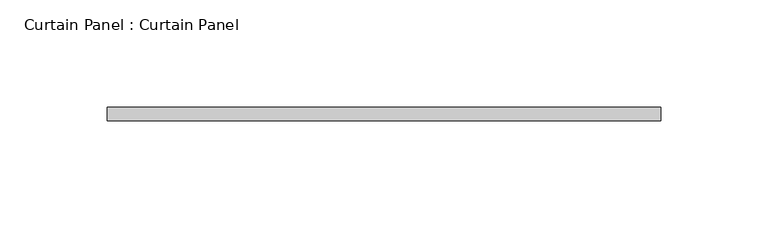
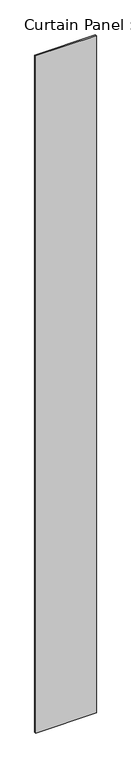
"""IFC4 building model written with IfcOpenShell, lengths in millimetres: plate geometry, Curtain Panel : Curtain Panel."""

import ifcopenshell
import ifcopenshell.guid

model = None  # the IFC model being written
_history = None  # IfcOwnerHistory: only IFC2X3 demands one
_inside = {}  # id of a spatial element -> (the spatial element, [elements in it])
_under = {}  # id of a project, library or spatial element -> (it, [spatial elements below it])
_declared = {}  # id of a project -> (the project, [libraries it declares])
_typed = {}  # id of a type object -> (the type object, [elements of that type])
_made_of = {}  # id of a material, layer set ... -> (it, [elements and type objects made of it])


def new_model(schema):
    """Start an empty IFC model of exactly this schema.

    Asked for "IFC4X3", IfcOpenShell would pick the latest addendum, in which some entities
    have other attributes; the version numbers below select the first issue.
    IFC2X3 requires an IfcOwnerHistory on every rooted entity: one is made here for all.
    """
    global model, _history
    if schema == "IFC4X3":
        model = ifcopenshell.file(schema_version=(4, 3, 0, 0))
    else:
        model = ifcopenshell.file(schema=schema)
    _inside.clear()
    _under.clear()
    _declared.clear()
    _typed.clear()
    _made_of.clear()
    _history = None
    if model.schema == "IFC2X3":
        org = make("IfcOrganization", Name="unknown")
        user = make(
            "IfcPersonAndOrganization",
            ThePerson=make("IfcPerson", FamilyName="unknown"),
            TheOrganization=org,
        )
        app = make(
            "IfcApplication",
            ApplicationDeveloper=org,
            Version="unknown",
            ApplicationFullName="unknown",
            ApplicationIdentifier="unknown",
        )
        _history = make(
            "IfcOwnerHistory",
            OwningUser=user,
            OwningApplication=app,
            ChangeAction="ADDED",
            CreationDate=0,
        )
    return model


def make(cls, **values):
    """One entity of the class cls with the attributes given. An attribute that is None is left unset."""
    return model.create_entity(
        cls, **{name: value for name, value in values.items() if value is not None}
    )


def rooted(cls, **values):
    """An entity with a GlobalId (a new one), such as an element, a storey or a relation."""
    return make(cls, GlobalId=ifcopenshell.guid.new(), OwnerHistory=_history, **values)


def si_unit(unit_type, name, prefix=None):
    """IfcSIUnit, for example si_unit("LENGTHUNIT", "METRE", prefix="MILLI")."""
    return make("IfcSIUnit", UnitType=unit_type, Prefix=prefix, Name=name)


def assignment(units):
    """IfcUnitAssignment: the units of a project."""
    return None if units is None else make("IfcUnitAssignment", Units=units)


def point(xyz):
    """IfcCartesianPoint."""
    return None if xyz is None else make("IfcCartesianPoint", Coordinates=xyz)


def direction(xyz):
    """IfcDirection."""
    return None if xyz is None else make("IfcDirection", DirectionRatios=xyz)


def frame(location, z_axis=None, x_axis=None):
    """IfcAxis2Placement3D, a coordinate frame: its origin and axes. An axis left out is left unset."""
    return make(
        "IfcAxis2Placement3D",
        Location=point(location),
        Axis=direction(z_axis),
        RefDirection=direction(x_axis),
    )


def origin():
    """The frame at (0, 0, 0) with its axes left unset."""
    return frame((0.0, 0.0, 0.0))


def origin_with_axes():
    """The frame at (0, 0, 0) with the z axis (0, 0, 1) and the x axis (1, 0, 0) written out."""
    return frame((0.0, 0.0, 0.0), z_axis=(0.0, 0.0, 1.0), x_axis=(1.0, 0.0, 0.0))


def place(relative_to, where):
    """IfcLocalPlacement: puts the frame where relative to a parent placement (None: the world)."""
    return make(
        "IfcLocalPlacement", PlacementRelTo=relative_to, RelativePlacement=where
    )


def context(
    kind, dimensions, precision=None, world=None, true_north=None, identifier=None
):
    """IfcGeometricRepresentationContext, for example the 3D "Model" context."""
    return make(
        "IfcGeometricRepresentationContext",
        ContextIdentifier=identifier,
        ContextType=kind,
        CoordinateSpaceDimension=dimensions,
        Precision=precision,
        WorldCoordinateSystem=world,
        TrueNorth=true_north,
    )


def project(units=None, contexts=None):
    """IfcProject with its units and contexts."""
    return rooted(
        "IfcProject",
        Name="project",
        RepresentationContexts=contexts,
        UnitsInContext=assignment(units),
    )


def spatial(cls, under=None, at=None, **own):
    """A site, building, storey or space (cls), placed at a placement, below another one or the project."""
    s = rooted(cls, ObjectPlacement=at, **own)
    if under is not None:
        _under.setdefault(under.id(), (under, []))[1].append(s)
    return s


def polyline(points):
    """IfcPolyline through the points."""
    return make("IfcPolyline", Points=[point(p) for p in points])


def outline(outer, holes=None, kind="AREA"):
    """IfcArbitraryClosedProfileDef: a profile drawn as a closed curve; with holes, ...WithVoids."""
    if holes is None:
        return make("IfcArbitraryClosedProfileDef", ProfileType=kind, OuterCurve=outer)
    return make(
        "IfcArbitraryProfileDefWithVoids",
        ProfileType=kind,
        OuterCurve=outer,
        InnerCurves=holes,
    )


def extrude(swept, where, along, depth):
    """IfcExtrudedAreaSolid: the profile swept, set in the frame where, extruded along a direction by depth."""
    return make(
        "IfcExtrudedAreaSolid",
        SweptArea=swept,
        Position=where,
        ExtrudedDirection=direction(along),
        Depth=depth,
    )


def shape(context_of_items, identifier, shape_type, items):
    """IfcShapeRepresentation: the items that make up one representation, for example the "Body"."""
    return make(
        "IfcShapeRepresentation",
        ContextOfItems=context_of_items,
        RepresentationIdentifier=identifier,
        RepresentationType=shape_type,
        Items=items,
    )


def source(mapping_origin, context_of_items, identifier, shape_type, items):
    """IfcRepresentationMap: a shape defined once, which mapped items show again and again."""
    return make(
        "IfcRepresentationMap",
        MappingOrigin=mapping_origin,
        MappedRepresentation=shape(context_of_items, identifier, shape_type, items),
    )


def transform(
    local_origin,
    x_axis=None,
    y_axis=None,
    z_axis=None,
    scale=None,
    scale2=None,
    scale3=None,
    uniform=True,
):
    """IfcCartesianTransformationOperator3D, or its non-uniform kind. x_axis, y_axis, z_axis: its Axis1, 2, 3."""
    if uniform:
        return make(
            "IfcCartesianTransformationOperator3D",
            Axis1=direction(x_axis),
            Axis2=direction(y_axis),
            LocalOrigin=point(local_origin),
            Scale=scale,
            Axis3=direction(z_axis),
        )
    return make(
        "IfcCartesianTransformationOperator3DnonUniform",
        Axis1=direction(x_axis),
        Axis2=direction(y_axis),
        LocalOrigin=point(local_origin),
        Scale=scale,
        Axis3=direction(z_axis),
        Scale2=scale2,
        Scale3=scale3,
    )


def mapped(mapping_source, mapping_target):
    """IfcMappedItem: shows the shape of a source again, moved by a transform."""
    return make(
        "IfcMappedItem", MappingSource=mapping_source, MappingTarget=mapping_target
    )


def made_of(thing, what):
    """Note that an element or type object is made of a material, layer set ...; save() writes the relation."""
    if what is not None:
        _made_of.setdefault(what.id(), (what, []))[1].append(thing)
    return thing


def element(
    cls,
    number,
    at=None,
    inside=None,
    cuts=None,
    type_object=None,
    material=None,
    context=None,
    identifier="Body",
    shape_type=None,
    held_by="IfcProductDefinitionShape",
    body=None,
    shapes=None,
    **own,
):
    """One element of the class cls, such as IfcWall. Its Tag is "e" and its number.

    at: its placement. inside: the storey or other place that contains it. cuts: it is an
    opening in that element (IfcRelVoidsElement). A single representation is given by context,
    identifier, shape_type and body (its items); several are given by shapes. held_by: the class
    of the entity that holds the representations. save() writes the other relations.
    """
    e = rooted(cls, Tag="e%d" % number, ObjectPlacement=at, **own)
    if body is not None:
        shapes = [shape(context, identifier, shape_type, body)]
    if shapes is not None:
        e.Representation = make(held_by, Representations=shapes)
    if inside is not None:
        _inside.setdefault(inside.id(), (inside, []))[1].append(e)
    if cuts is not None:
        rooted(
            "IfcRelVoidsElement", RelatingBuildingElement=cuts, RelatedOpeningElement=e
        )
    if type_object is not None:
        _typed.setdefault(type_object.id(), (type_object, []))[1].append(e)
    return made_of(e, material)


def aggregate(whole, parts):
    """IfcRelAggregates: a whole, such as a stair, and the parts it consists of."""
    return rooted("IfcRelAggregates", RelatingObject=whole, RelatedObjects=parts)


def save(model, path):
    """Write the relations noted so far, then the file.

    IfcRelAggregates (storeys below a building ...), IfcRelContainedInSpatialStructure (elements
    in a storey), IfcRelDefinesByType, IfcRelAssociatesMaterial and IfcRelDeclares: one each for
    every whole, place, type object, material and project.
    """
    for whole, parts in _under.values():
        aggregate(whole, parts)
    for where, things in _inside.values():
        rooted(
            "IfcRelContainedInSpatialStructure",
            RelatedElements=things,
            RelatingStructure=where,
        )
    for kind, things in _typed.values():
        rooted("IfcRelDefinesByType", RelatedObjects=things, RelatingType=kind)
    for what, things in _made_of.values():
        rooted("IfcRelAssociatesMaterial", RelatedObjects=things, RelatingMaterial=what)
    for by, libraries in _declared.values():
        rooted("IfcRelDeclares", RelatingContext=by, RelatedDefinitions=libraries)
    model.write(path)


def curtain_panel_curtain_panel_bc434fa3(model_context):
    return source(origin(), model_context, "Body", "SweptSolid", [
        extrude(outline(polyline([(338107.5917744, 1464.5539638), (338366.3542744, 1464.5539638), (338366.3542744, 1458.2039638), (338107.5917744, 1458.2039638), (338107.5917744, 1464.5539638)])), origin_with_axes(), (0.0, 0.0, 1.0), 3048.0),
    ])


if __name__ == "__main__":
    model = new_model("IFC4")
    model_context = context("Model", 3, world=origin())
    ifc_project = project(units=[si_unit("LENGTHUNIT", "METRE", prefix="MILLI")], contexts=[model_context])
    site = spatial("IfcSite", under=ifc_project)
    building = spatial("IfcBuilding", under=site)
    placement = place(None, origin())
    curtain_panel_curtain_panel_shape = curtain_panel_curtain_panel_bc434fa3(model_context)
    element("IfcPlate", 1, ObjectType="Curtain Panel : Curtain Panel", at=placement, inside=building, context=model_context, shape_type="MappedRepresentation", body=[
        mapped(curtain_panel_curtain_panel_shape, transform((0.0, 0.0, 0.0), x_axis=(1.0, 0.0, 0.0), y_axis=(0.0, 1.0, 0.0), z_axis=(0.0, 0.0, 1.0))),
    ])
    save(model, "model.ifc")
